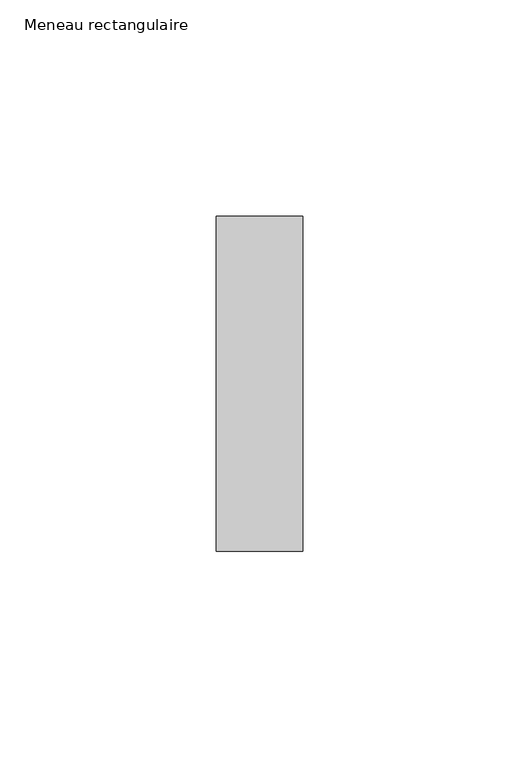
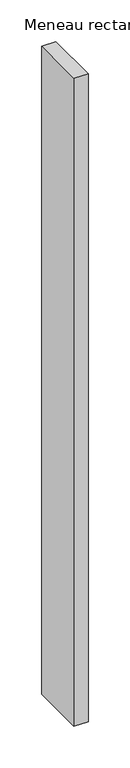
"""IFC4 building model written with IfcOpenShell, lengths in millimetres: member geometry, Meneau rectangulaire."""

from ifc_helpers import new_model, si_unit, frame, origin, place, context, project, spatial, polyline, outline, extrude, source, transform, mapped, element, save


def meneau_rectangulaire_c0377f29(model_context):
    return source(origin(), model_context, "Body", "SweptSolid", [
        extrude(outline(polyline([(0.0, 38.75), (0.0, -38.75), (-20.0, -38.75), (-20.0, 38.75), (0.0, 38.75)])), frame((0.0, 0.0, -952.3373825), z_axis=(0.0, 0.0, 1.0), x_axis=(1.0, 0.0, 0.0)), (0.0, 0.0, 1.0), 952.3373825),
    ])


if __name__ == "__main__":
    model = new_model("IFC4")
    model_context = context("Model", 3, world=origin())
    ifc_project = project(units=[si_unit("LENGTHUNIT", "METRE", prefix="MILLI")], contexts=[model_context])
    site = spatial("IfcSite", under=ifc_project)
    building = spatial("IfcBuilding", under=site)
    placement = place(None, origin())
    meneau_rectangulaire_shape = meneau_rectangulaire_c0377f29(model_context)
    element("IfcMember", 1, ObjectType="Meneau rectangulaire", at=placement, inside=building, context=model_context, shape_type="MappedRepresentation", body=[
        mapped(meneau_rectangulaire_shape, transform((0.0, 0.0, 0.0), x_axis=(1.0, 0.0, 0.0), y_axis=(0.0, 1.0, 0.0), z_axis=(0.0, 0.0, 1.0))),
    ])
    save(model, "model.ifc")
